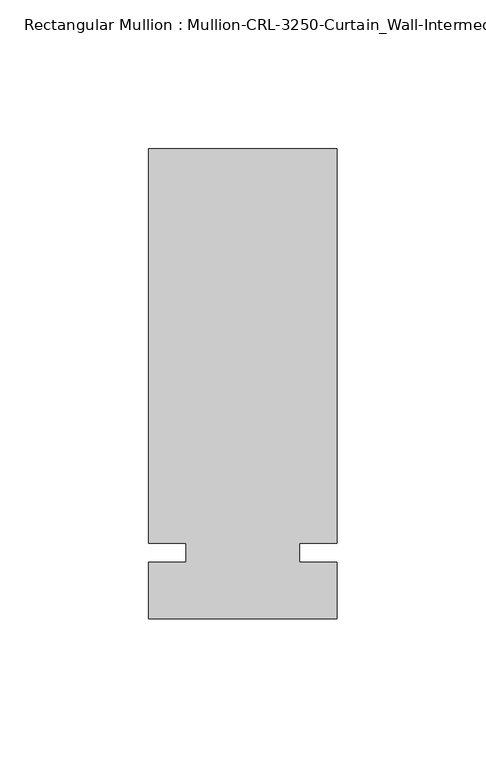
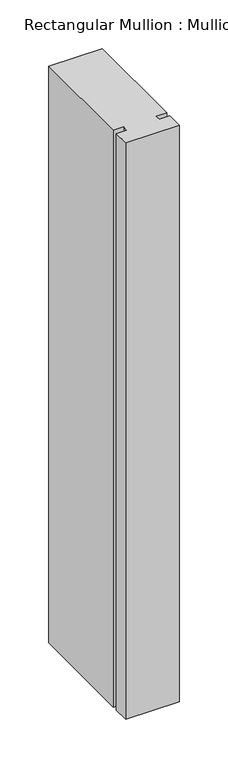
"""IFC4 building model written with IfcOpenShell, lengths in millimetres: member geometry."""

from ifc_helpers import new_model, si_unit, frame, origin, place, context, project, spatial, polyline, outline, extrude, source, transform, mapped, element, save


def member_09d0b94b(model_context):
    return source(origin(), model_context, "Body", "SweptSolid", [
        extrude(outline(polyline([(31.7499985, -3.175), (31.7499985, -22.2254168), (-31.7499985, -22.2254168), (-31.7499985, -3.175), (-19.0499985, -3.175), (-19.0499985, 3.175), (-31.7499985, 3.175), (-31.7499985, 136.0175642), (31.7499985, 136.0175642), (31.7499985, 3.175), (19.0499985, 3.175), (19.0499985, -3.175), (31.7499985, -3.175)])), frame((0.0, 0.0, -723.8919919), z_axis=(0.0, 0.0, 1.0), x_axis=(1.0, 0.0, 0.0)), (0.0, 0.0, 1.0), 723.8919919),
    ])


if __name__ == "__main__":
    model = new_model("IFC4")
    model_context = context("Model", 3, world=origin())
    ifc_project = project(units=[si_unit("LENGTHUNIT", "METRE", prefix="MILLI")], contexts=[model_context])
    site = spatial("IfcSite", under=ifc_project)
    building = spatial("IfcBuilding", under=site)
    placement = place(None, origin())
    member_shape = member_09d0b94b(model_context)
    element("IfcMember", 1, ObjectType="Rectangular Mullion : Mullion-CRL-3250-Curtain_Wall-Intermediate_Horizontal-5\"", at=placement, inside=building, context=model_context, shape_type="MappedRepresentation", body=[
        mapped(member_shape, transform((0.0, 0.0, 0.0), x_axis=(1.0, 0.0, 0.0), y_axis=(0.0, 1.0, 0.0), z_axis=(0.0, 0.0, 1.0))),
    ])
    save(model, "model.ifc")
